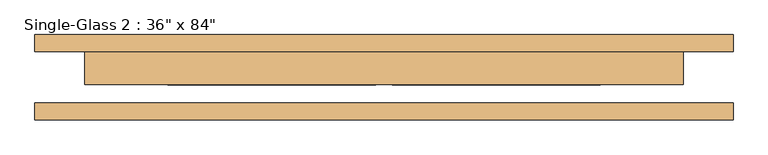
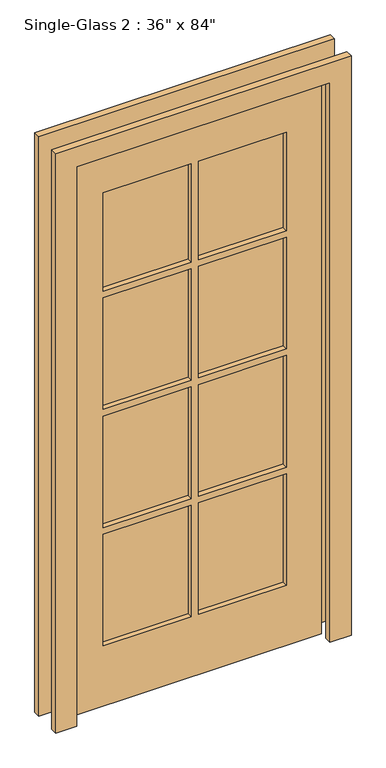
"""IFC4 building model written with IfcOpenShell, lengths in millimetres: door geometry."""

import ifcopenshell
import ifcopenshell.guid

model = None  # the IFC model being written
_history = None  # IfcOwnerHistory: only IFC2X3 demands one
_inside = {}  # id of a spatial element -> (the spatial element, [elements in it])
_under = {}  # id of a project, library or spatial element -> (it, [spatial elements below it])
_declared = {}  # id of a project -> (the project, [libraries it declares])
_typed = {}  # id of a type object -> (the type object, [elements of that type])
_made_of = {}  # id of a material, layer set ... -> (it, [elements and type objects made of it])


def new_model(schema):
    """Start an empty IFC model of exactly this schema.

    Asked for "IFC4X3", IfcOpenShell would pick the latest addendum, in which some entities
    have other attributes; the version numbers below select the first issue.
    IFC2X3 requires an IfcOwnerHistory on every rooted entity: one is made here for all.
    """
    global model, _history
    if schema == "IFC4X3":
        model = ifcopenshell.file(schema_version=(4, 3, 0, 0))
    else:
        model = ifcopenshell.file(schema=schema)
    _inside.clear()
    _under.clear()
    _declared.clear()
    _typed.clear()
    _made_of.clear()
    _history = None
    if model.schema == "IFC2X3":
        org = make("IfcOrganization", Name="unknown")
        user = make(
            "IfcPersonAndOrganization",
            ThePerson=make("IfcPerson", FamilyName="unknown"),
            TheOrganization=org,
        )
        app = make(
            "IfcApplication",
            ApplicationDeveloper=org,
            Version="unknown",
            ApplicationFullName="unknown",
            ApplicationIdentifier="unknown",
        )
        _history = make(
            "IfcOwnerHistory",
            OwningUser=user,
            OwningApplication=app,
            ChangeAction="ADDED",
            CreationDate=0,
        )
    return model


def make(cls, **values):
    """One entity of the class cls with the attributes given. An attribute that is None is left unset."""
    return model.create_entity(
        cls, **{name: value for name, value in values.items() if value is not None}
    )


def rooted(cls, **values):
    """An entity with a GlobalId (a new one), such as an element, a storey or a relation."""
    return make(cls, GlobalId=ifcopenshell.guid.new(), OwnerHistory=_history, **values)


def si_unit(unit_type, name, prefix=None):
    """IfcSIUnit, for example si_unit("LENGTHUNIT", "METRE", prefix="MILLI")."""
    return make("IfcSIUnit", UnitType=unit_type, Prefix=prefix, Name=name)


def assignment(units):
    """IfcUnitAssignment: the units of a project."""
    return None if units is None else make("IfcUnitAssignment", Units=units)


def point(xyz):
    """IfcCartesianPoint."""
    return None if xyz is None else make("IfcCartesianPoint", Coordinates=xyz)


def direction(xyz):
    """IfcDirection."""
    return None if xyz is None else make("IfcDirection", DirectionRatios=xyz)


def frame(location, z_axis=None, x_axis=None):
    """IfcAxis2Placement3D, a coordinate frame: its origin and axes. An axis left out is left unset."""
    return make(
        "IfcAxis2Placement3D",
        Location=point(location),
        Axis=direction(z_axis),
        RefDirection=direction(x_axis),
    )


def origin():
    """The frame at (0, 0, 0) with its axes left unset."""
    return frame((0.0, 0.0, 0.0))


def place(relative_to, where):
    """IfcLocalPlacement: puts the frame where relative to a parent placement (None: the world)."""
    return make(
        "IfcLocalPlacement", PlacementRelTo=relative_to, RelativePlacement=where
    )


def context(
    kind, dimensions, precision=None, world=None, true_north=None, identifier=None
):
    """IfcGeometricRepresentationContext, for example the 3D "Model" context."""
    return make(
        "IfcGeometricRepresentationContext",
        ContextIdentifier=identifier,
        ContextType=kind,
        CoordinateSpaceDimension=dimensions,
        Precision=precision,
        WorldCoordinateSystem=world,
        TrueNorth=true_north,
    )


def project(units=None, contexts=None):
    """IfcProject with its units and contexts."""
    return rooted(
        "IfcProject",
        Name="project",
        RepresentationContexts=contexts,
        UnitsInContext=assignment(units),
    )


def spatial(cls, under=None, at=None, **own):
    """A site, building, storey or space (cls), placed at a placement, below another one or the project."""
    s = rooted(cls, ObjectPlacement=at, **own)
    if under is not None:
        _under.setdefault(under.id(), (under, []))[1].append(s)
    return s


def polyline(points):
    """IfcPolyline through the points."""
    return make("IfcPolyline", Points=[point(p) for p in points])


def outline(outer, holes=None, kind="AREA"):
    """IfcArbitraryClosedProfileDef: a profile drawn as a closed curve; with holes, ...WithVoids."""
    if holes is None:
        return make("IfcArbitraryClosedProfileDef", ProfileType=kind, OuterCurve=outer)
    return make(
        "IfcArbitraryProfileDefWithVoids",
        ProfileType=kind,
        OuterCurve=outer,
        InnerCurves=holes,
    )


def extrude(swept, where, along, depth):
    """IfcExtrudedAreaSolid: the profile swept, set in the frame where, extruded along a direction by depth."""
    return make(
        "IfcExtrudedAreaSolid",
        SweptArea=swept,
        Position=where,
        ExtrudedDirection=direction(along),
        Depth=depth,
    )


def shape(context_of_items, identifier, shape_type, items):
    """IfcShapeRepresentation: the items that make up one representation, for example the "Body"."""
    return make(
        "IfcShapeRepresentation",
        ContextOfItems=context_of_items,
        RepresentationIdentifier=identifier,
        RepresentationType=shape_type,
        Items=items,
    )


def source(mapping_origin, context_of_items, identifier, shape_type, items):
    """IfcRepresentationMap: a shape defined once, which mapped items show again and again."""
    return make(
        "IfcRepresentationMap",
        MappingOrigin=mapping_origin,
        MappedRepresentation=shape(context_of_items, identifier, shape_type, items),
    )


def transform(
    local_origin,
    x_axis=None,
    y_axis=None,
    z_axis=None,
    scale=None,
    scale2=None,
    scale3=None,
    uniform=True,
):
    """IfcCartesianTransformationOperator3D, or its non-uniform kind. x_axis, y_axis, z_axis: its Axis1, 2, 3."""
    if uniform:
        return make(
            "IfcCartesianTransformationOperator3D",
            Axis1=direction(x_axis),
            Axis2=direction(y_axis),
            LocalOrigin=point(local_origin),
            Scale=scale,
            Axis3=direction(z_axis),
        )
    return make(
        "IfcCartesianTransformationOperator3DnonUniform",
        Axis1=direction(x_axis),
        Axis2=direction(y_axis),
        LocalOrigin=point(local_origin),
        Scale=scale,
        Axis3=direction(z_axis),
        Scale2=scale2,
        Scale3=scale3,
    )


def mapped(mapping_source, mapping_target):
    """IfcMappedItem: shows the shape of a source again, moved by a transform."""
    return make(
        "IfcMappedItem", MappingSource=mapping_source, MappingTarget=mapping_target
    )


def made_of(thing, what):
    """Note that an element or type object is made of a material, layer set ...; save() writes the relation."""
    if what is not None:
        _made_of.setdefault(what.id(), (what, []))[1].append(thing)
    return thing


def element(
    cls,
    number,
    at=None,
    inside=None,
    cuts=None,
    type_object=None,
    material=None,
    context=None,
    identifier="Body",
    shape_type=None,
    held_by="IfcProductDefinitionShape",
    body=None,
    shapes=None,
    **own,
):
    """One element of the class cls, such as IfcWall. Its Tag is "e" and its number.

    at: its placement. inside: the storey or other place that contains it. cuts: it is an
    opening in that element (IfcRelVoidsElement). A single representation is given by context,
    identifier, shape_type and body (its items); several are given by shapes. held_by: the class
    of the entity that holds the representations. save() writes the other relations.
    """
    e = rooted(cls, Tag="e%d" % number, ObjectPlacement=at, **own)
    if body is not None:
        shapes = [shape(context, identifier, shape_type, body)]
    if shapes is not None:
        e.Representation = make(held_by, Representations=shapes)
    if inside is not None:
        _inside.setdefault(inside.id(), (inside, []))[1].append(e)
    if cuts is not None:
        rooted(
            "IfcRelVoidsElement", RelatingBuildingElement=cuts, RelatedOpeningElement=e
        )
    if type_object is not None:
        _typed.setdefault(type_object.id(), (type_object, []))[1].append(e)
    return made_of(e, material)


def aggregate(whole, parts):
    """IfcRelAggregates: a whole, such as a stair, and the parts it consists of."""
    return rooted("IfcRelAggregates", RelatingObject=whole, RelatedObjects=parts)


def save(model, path):
    """Write the relations noted so far, then the file.

    IfcRelAggregates (storeys below a building ...), IfcRelContainedInSpatialStructure (elements
    in a storey), IfcRelDefinesByType, IfcRelAssociatesMaterial and IfcRelDeclares: one each for
    every whole, place, type object, material and project.
    """
    for whole, parts in _under.values():
        aggregate(whole, parts)
    for where, things in _inside.values():
        rooted(
            "IfcRelContainedInSpatialStructure",
            RelatedElements=things,
            RelatingStructure=where,
        )
    for kind, things in _typed.values():
        rooted("IfcRelDefinesByType", RelatedObjects=things, RelatingType=kind)
    for what, things in _made_of.values():
        rooted("IfcRelAssociatesMaterial", RelatedObjects=things, RelatingMaterial=what)
    for by, libraries in _declared.values():
        rooted("IfcRelDeclares", RelatingContext=by, RelatedDefinitions=libraries)
    model.write(path)


def door_f24ac253(model_context):
    return source(origin(), model_context, "Body", "SweptSolid", [
        extrude(outline(polyline([(2209.8, 558.8), (2209.8, -508.0), (0.0, -508.0), (0.0, -431.8), (2133.6, -431.8), (2133.6, 482.6), (0.0, 482.6), (0.0, 558.8), (2209.8, 558.8)])), frame((0.0, -65.0875, 0.0), z_axis=(0.0, 1.0, 0.0), x_axis=(0.0, 0.0, 1.0)), (0.0, 0.0, 1.0), 25.4),
        extrude(outline(polyline([(2209.8, -508.0), (0.0, -508.0), (0.0, -431.8), (2133.6, -431.8), (2133.6, 482.6), (0.0, 482.6), (0.0, 558.8), (2209.8, 558.8), (2209.8, -508.0)])), frame((0.0, 39.6875, 0.0), z_axis=(0.0, 1.0, 0.0), x_axis=(0.0, 0.0, 1.0)), (0.0, 0.0, 1.0), 25.4),
        extrude(outline(polyline([(2133.6, 482.6), (2133.6, -431.8), (0.0, -431.8), (0.0, 482.6), (2133.6, 482.6)]), holes=[polyline([(1955.8, 12.7), (1581.15, 12.7), (1581.15, -304.8), (1955.8, -304.8), (1955.8, 12.7)]), polyline([(1955.8, 355.6), (1581.15, 355.6), (1581.15, 38.1), (1955.8, 38.1), (1955.8, 355.6)]), polyline([(1555.75, 12.7), (1130.3, 12.7), (1130.3, -304.8), (1555.75, -304.8), (1555.75, 12.7)]), polyline([(1555.75, 355.6), (1130.3, 355.6), (1130.3, 38.1), (1555.75, 38.1), (1555.75, 355.6)]), polyline([(1104.9, 12.7), (679.45, 12.7), (679.45, -304.8), (1104.9, -304.8), (1104.9, 12.7)]), polyline([(1104.9, 355.6), (679.45, 355.6), (679.45, 38.1), (1104.9, 38.1), (1104.9, 355.6)]), polyline([(654.05, 12.7), (228.6, 12.7), (228.6, -304.8), (654.05, -304.8), (654.05, 12.7)]), polyline([(654.05, 355.6), (228.6, 355.6), (228.6, 38.1), (654.05, 38.1), (654.05, 355.6)])]), frame((0.0, -11.1125, 0.0), z_axis=(0.0, 1.0, 0.0), x_axis=(0.0, 0.0, 1.0)), (0.0, 0.0, 1.0), 50.8),
        extrude(outline(polyline([(12.7, 7.9375), (-304.8, 7.9375), (-304.8, 20.6375), (12.7, 20.6375), (12.7, 7.9375)])), frame((0.0, 0.0, 1581.15), z_axis=(0.0, 0.0, 1.0), x_axis=(1.0, 0.0, 0.0)), (0.0, 0.0, 1.0), 374.65),
        extrude(outline(polyline([(355.6, 7.9375), (38.1, 7.9375), (38.1, 20.6375), (355.6, 20.6375), (355.6, 7.9375)])), frame((0.0, 0.0, 1581.15), z_axis=(0.0, 0.0, 1.0), x_axis=(1.0, 0.0, 0.0)), (0.0, 0.0, 1.0), 374.65),
        extrude(outline(polyline([(355.6, 7.9375), (38.1, 7.9375), (38.1, 20.6375), (355.6, 20.6375), (355.6, 7.9375)])), frame((0.0, 0.0, 1130.3), z_axis=(0.0, 0.0, 1.0), x_axis=(1.0, 0.0, 0.0)), (0.0, 0.0, 1.0), 425.45),
        extrude(outline(polyline([(12.7, 7.9375), (-304.8, 7.9375), (-304.8, 20.6375), (12.7, 20.6375), (12.7, 7.9375)])), frame((0.0, 0.0, 1130.3), z_axis=(0.0, 0.0, 1.0), x_axis=(1.0, 0.0, 0.0)), (0.0, 0.0, 1.0), 425.45),
        extrude(outline(polyline([(12.7, 7.9375), (-304.8, 7.9375), (-304.8, 20.6375), (12.7, 20.6375), (12.7, 7.9375)])), frame((0.0, 0.0, 679.45), z_axis=(0.0, 0.0, 1.0), x_axis=(1.0, 0.0, 0.0)), (0.0, 0.0, 1.0), 425.45),
        extrude(outline(polyline([(355.6, 7.9375), (38.1, 7.9375), (38.1, 20.6375), (355.6, 20.6375), (355.6, 7.9375)])), frame((0.0, 0.0, 679.45), z_axis=(0.0, 0.0, 1.0), x_axis=(1.0, 0.0, 0.0)), (0.0, 0.0, 1.0), 425.45),
        extrude(outline(polyline([(355.6, 7.9375), (38.1, 7.9375), (38.1, 20.6375), (355.6, 20.6375), (355.6, 7.9375)])), frame((0.0, 0.0, 228.6), z_axis=(0.0, 0.0, 1.0), x_axis=(1.0, 0.0, 0.0)), (0.0, 0.0, 1.0), 425.45),
        extrude(outline(polyline([(12.7, 7.9375), (-304.8, 7.9375), (-304.8, 20.6375), (12.7, 20.6375), (12.7, 7.9375)])), frame((0.0, 0.0, 228.6), z_axis=(0.0, 0.0, 1.0), x_axis=(1.0, 0.0, 0.0)), (0.0, 0.0, 1.0), 425.45),
    ])


if __name__ == "__main__":
    model = new_model("IFC4")
    model_context = context("Model", 3, world=origin())
    ifc_project = project(units=[si_unit("LENGTHUNIT", "METRE", prefix="MILLI")], contexts=[model_context])
    site = spatial("IfcSite", under=ifc_project)
    building = spatial("IfcBuilding", under=site)
    placement = place(None, origin())
    door_shape = door_f24ac253(model_context)
    element("IfcDoor", 1, ObjectType="Single-Glass 2 : 36\" x 84\"", at=placement, inside=building, context=model_context, shape_type="MappedRepresentation", body=[
        mapped(door_shape, transform((0.0, 0.0, 0.0), x_axis=(1.0, 0.0, 0.0), y_axis=(0.0, 1.0, 0.0), z_axis=(0.0, 0.0, 1.0))),
    ])
    save(model, "model.ifc")
